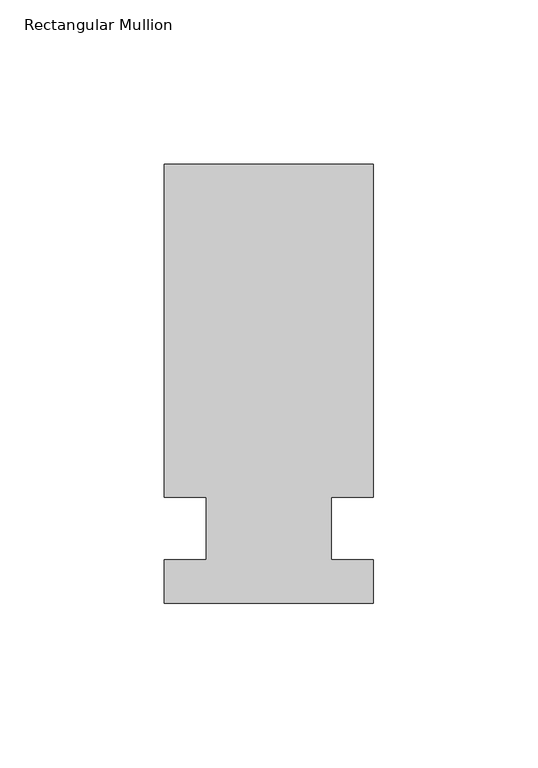
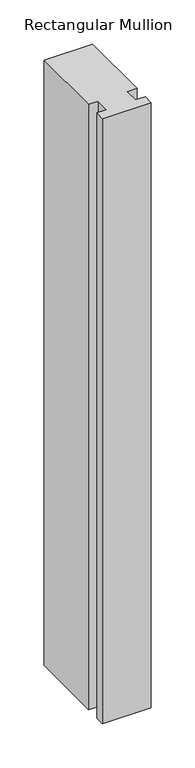
"""IFC4 building model written with IfcOpenShell, lengths in millimetres: member geometry, Rectangular Mullion."""

from ifc_helpers import new_model, si_unit, frame, origin, place, context, project, spatial, polyline, outline, extrude, source, transform, mapped, element, save


def rectangular_mullion_f00d5765(model_context):
    return source(origin(), model_context, "Body", "SweptSolid", [
        extrude(outline(polyline([(-31.75, 133.4396938), (31.75, 133.4396937), (31.75, 32.2460937), (19.05, 32.2460937), (19.05, 13.1960937), (31.75, 13.1960937), (31.75, 0.0134937), (-31.75, 0.0134937), (-31.75, 13.1960937), (-19.05, 13.1960937), (-19.05, 32.2460937), (-31.75, 32.2460937), (-31.75, 133.4396938)])), frame((0.0, 0.0, -838.2), z_axis=(0.0, 0.0, 1.0), x_axis=(1.0, 0.0, 0.0)), (0.0, 0.0, 1.0), 838.2),
    ])


if __name__ == "__main__":
    model = new_model("IFC4")
    model_context = context("Model", 3, world=origin())
    ifc_project = project(units=[si_unit("LENGTHUNIT", "METRE", prefix="MILLI")], contexts=[model_context])
    site = spatial("IfcSite", under=ifc_project)
    building = spatial("IfcBuilding", under=site)
    placement = place(None, origin())
    rectangular_mullion_shape = rectangular_mullion_f00d5765(model_context)
    element("IfcMember", 1, ObjectType="Rectangular Mullion", at=placement, inside=building, context=model_context, shape_type="MappedRepresentation", body=[
        mapped(rectangular_mullion_shape, transform((0.0, 0.0, 0.0), x_axis=(1.0, 0.0, 0.0), y_axis=(0.0, 1.0, 0.0), z_axis=(0.0, 0.0, 1.0))),
    ])
    save(model, "model.ifc")
